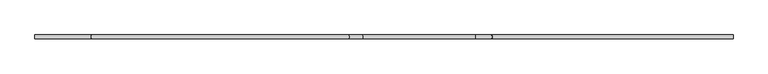
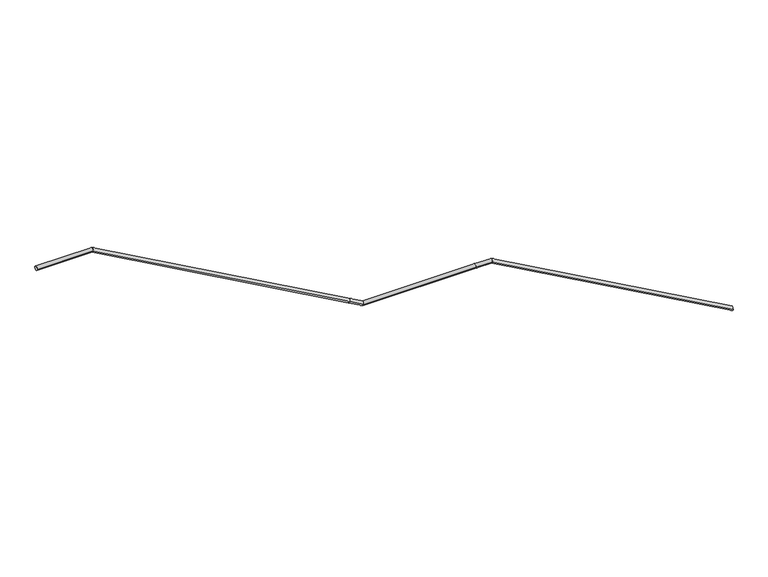
"""IFC4 building model written with IfcOpenShell, lengths in millimetres: railing geometry."""

from ifc_helpers import new_model, si_unit, frame, origin, place, context, project, spatial, circle_curve, ellipse_curve, source, transform, mapped, element, save
from ifc_brep_helpers import plane_surface, cylinder_surface, advanced_brep


def railing_be156dae(model_context):
    return source(origin(), model_context, "Body", "AdvancedBrep", [
        advanced_brep(
        [(-49202.0717038, -31548.1570073, -8972.4323824), (-49202.0717038, -31588.1570073, -8972.4323824), (-51602.5516545, -31548.1570073, -7630.0), (-51602.5516545, -31588.1570073, -7630.0), (-51762.0717038, -31548.1570073, -7630.0), (-51762.0717038, -31588.1570073, -7630.0), (-52885.972833, -31548.1570073, -7630.0), (-52885.972833, -31588.1570073, -7630.0), (-53022.0717038, -31548.1570073, -7553.8886458), (-53022.0717038, -31588.1570073, -7553.8886458), (-55586.0863294, -31548.1570073, -6120.0), (-55586.0863294, -31588.1570073, -6120.0), (-56142.0717038, -31548.1570073, -6120.0), (-56142.0717038, -31588.1570073, -6120.0)],
        [
            (0, 1, ellipse_curve(frame((-49202.0717038, -31568.1570073, -8972.4323824), z_axis=(1.0, 0.0, 0.0), x_axis=(0.0, 0.0, -1.0)), 22.9150062, 20.0)),
            (1, 0, ellipse_curve(frame((-49202.0717038, -31568.1570073, -8972.4323824), z_axis=(1.0, 0.0, 0.0), x_axis=(0.0, 0.0, -1.0)), 22.9150062, 20.0)),
            (0, 2),
            (2, 3, ellipse_curve(frame((-51602.5516545, -31568.1570073, -7630.0), z_axis=(0.9676751809619757, 0.0, -0.2521998099725839), x_axis=(-0.2521998099725834, 0.0, -0.9676751809619759)), 20.6680923, 20.0)),
            (3, 1),
            (3, 2, ellipse_curve(frame((-51602.5516545, -31568.1570073, -7630.0), z_axis=(0.9676751809619757, 0.0, -0.2521998099725839), x_axis=(-0.2521998099725834, 0.0, -0.9676751809619759)), 20.6680923, 20.0)),
            (2, 4),
            (4, 5, circle_curve(frame((-51762.0717038, -31568.1570073, -7630.0), z_axis=(1.0, 0.0, 0.0), x_axis=(0.0, -1.0, 0.0)), 20.0)),
            (5, 3),
            (5, 4, circle_curve(frame((-51762.0717038, -31568.1570073, -7630.0), z_axis=(1.0, 0.0, 0.0), x_axis=(0.0, -1.0, 0.0)), 20.0)),
            (4, 6),
            (6, 7, ellipse_curve(frame((-52885.972833, -31568.1570073, -7630.0), z_axis=(0.9676751078707296, 0.0, -0.2522000904190391), x_axis=(0.2522000904190399, 0.0, 0.9676751078707294)), 20.6680939, 20.0)),
            (7, 5),
            (7, 6, ellipse_curve(frame((-52885.972833, -31568.1570073, -7630.0), z_axis=(0.9676751078707296, 0.0, -0.2522000904190391), x_axis=(0.2522000904190399, 0.0, 0.9676751078707294)), 20.6680939, 20.0)),
            (6, 8),
            (8, 9, circle_curve(frame((-53022.0717038, -31568.1570073, -7553.8886458), z_axis=(0.8727902287852569, 0.0, -0.4880954994025032), x_axis=(0.0, -1.0, 0.0)), 20.0)),
            (9, 7),
            (9, 8, circle_curve(frame((-53022.0717038, -31568.1570073, -7553.8886458), z_axis=(0.8727902287852569, 0.0, -0.4880954994025032), x_axis=(0.0, -1.0, 0.0)), 20.0)),
            (8, 10),
            (10, 11, ellipse_curve(frame((-55586.0863294, -31568.1570073, -6120.0), z_axis=(0.96767510787073, 0.0, -0.2522000904190384), x_axis=(-0.25220009041903835, 0.0, -0.96767510787073)), 20.6680939, 20.0)),
            (11, 9),
            (11, 10, ellipse_curve(frame((-55586.0863294, -31568.1570073, -6120.0), z_axis=(0.96767510787073, 0.0, -0.2522000904190384), x_axis=(-0.25220009041903835, 0.0, -0.96767510787073)), 20.6680939, 20.0)),
            (12, 13, circle_curve(frame((-56142.0717038, -31568.1570073, -6120.0), z_axis=(-1.0, 0.0, 0.0), x_axis=(0.0, -1.0, 0.0)), 20.0)),
            (13, 12, circle_curve(frame((-56142.0717038, -31568.1570073, -6120.0), z_axis=(-1.0, 0.0, 0.0), x_axis=(0.0, -1.0, 0.0)), 20.0)),
            (10, 12),
            (13, 11),
        ],
        [
            plane_surface(frame((-49202.0717038, -31568.1570073, -8972.4323824), z_axis=(1.0, 0.0, 0.0), x_axis=(0.0, -1.0, 0.0))),
            cylinder_surface(frame((-49202.0717038, -31568.1570073, -8972.4323824), z_axis=(0.8727905116995851, 0.0, -0.4880949935075922), x_axis=(0.0, -1.0, 0.0)), 20.0),
            cylinder_surface(frame((-51602.5516545, -31568.1570073, -7630.0), z_axis=(1.0, 0.0, 0.0), x_axis=(0.0, -1.0, 0.0)), 20.0),
            cylinder_surface(frame((-51762.0717038, -31568.1570073, -7630.0), z_axis=(1.0, 0.0, 0.0), x_axis=(0.0, -1.0, 0.0)), 20.0),
            cylinder_surface(frame((-52885.972833, -31568.1570073, -7630.0), z_axis=(0.8727902287852569, 0.0, -0.4880954994025032), x_axis=(0.0, -1.0, 0.0)), 20.0),
            cylinder_surface(frame((-53022.0717038, -31568.1570073, -7553.8886458), z_axis=(0.8727902287852576, 0.0, -0.4880954994025019), x_axis=(0.0, -1.0, 0.0)), 20.0),
            plane_surface(frame((-56142.0717038, -31568.1570073, -6120.0), z_axis=(-1.0, 0.0, 0.0), x_axis=(0.0, -1.0, 0.0))),
            cylinder_surface(frame((-55586.0863294, -31568.1570073, -6120.0), z_axis=(1.0, 0.0, 0.0), x_axis=(0.0, -1.0, 0.0)), 20.0),
        ],
        [
            (0, [[1, 2]]),
            (1, [[-1, 3, 4, 5]]),
            (1, [[-2, -5, 6, -3]]),
            (2, [[-4, 7, 8, 9]]),
            (2, [[-6, -9, 10, -7]]),
            (3, [[-8, 11, 12, 13]]),
            (3, [[-10, -13, 14, -11]]),
            (4, [[-12, 15, 16, 17]]),
            (4, [[-14, -17, 18, -15]]),
            (5, [[-16, 19, 20, 21]]),
            (5, [[-18, -21, 22, -19]]),
            (6, [[23, 24]]),
            (7, [[-20, 25, -24, 26]]),
            (7, [[-22, -26, -23, -25]]),
        ],
    ),
    ])


if __name__ == "__main__":
    model = new_model("IFC4")
    model_context = context("Model", 3, world=origin())
    ifc_project = project(units=[si_unit("LENGTHUNIT", "METRE", prefix="MILLI")], contexts=[model_context])
    site = spatial("IfcSite", under=ifc_project)
    building = spatial("IfcBuilding", under=site)
    placement = place(None, origin())
    railing_shape = railing_be156dae(model_context)
    element("IfcRailing", 1, at=placement, inside=building, context=model_context, shape_type="MappedRepresentation", body=[
        mapped(railing_shape, transform((0.0, 0.0, 0.0), x_axis=(1.0, 0.0, 0.0), y_axis=(0.0, 1.0, 0.0), z_axis=(0.0, 0.0, 1.0))),
    ])
    save(model, "model.ifc")
